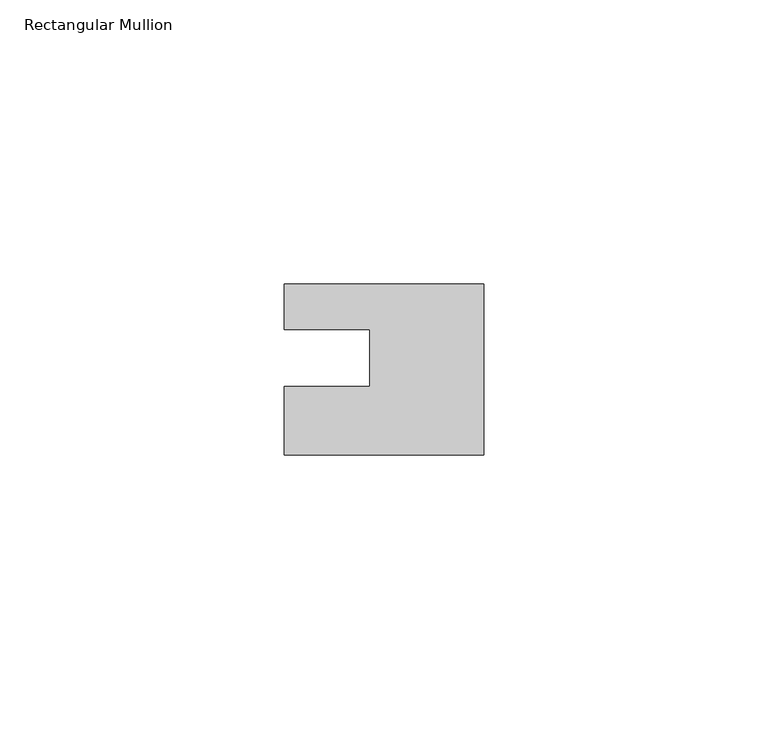
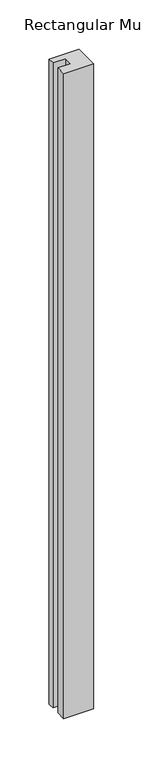
"""IFC4 building model written with IfcOpenShell, lengths in millimetres: member geometry, Rectangular Mullion."""

from ifc_helpers import new_model, si_unit, frame, origin, place, context, project, spatial, polyline, outline, extrude, source, transform, mapped, element, save


def rectangular_mullion_9ddc1df0(model_context):
    return source(origin(), model_context, "Body", "SweptSolid", [
        extrude(outline(polyline([(0.0, 7.94), (0.0, -22.06), (-35.0, -22.06), (-35.0, -10.0), (-20.0, -10.0), (-20.0, 0.001), (-35.0, 0.001), (-35.0, 7.94), (0.0, 7.94)])), frame((0.0, 0.0, -800.0), z_axis=(0.0, 0.0, 1.0), x_axis=(1.0, 0.0, 0.0)), (0.0, 0.0, 1.0), 800.0),
    ])


if __name__ == "__main__":
    model = new_model("IFC4")
    model_context = context("Model", 3, world=origin())
    ifc_project = project(units=[si_unit("LENGTHUNIT", "METRE", prefix="MILLI")], contexts=[model_context])
    site = spatial("IfcSite", under=ifc_project)
    building = spatial("IfcBuilding", under=site)
    placement = place(None, origin())
    rectangular_mullion_shape = rectangular_mullion_9ddc1df0(model_context)
    element("IfcMember", 1, ObjectType="Rectangular Mullion", at=placement, inside=building, context=model_context, shape_type="MappedRepresentation", body=[
        mapped(rectangular_mullion_shape, transform((0.0, 0.0, 0.0), x_axis=(1.0, 0.0, 0.0), y_axis=(0.0, 1.0, 0.0), z_axis=(0.0, 0.0, 1.0))),
    ])
    save(model, "model.ifc")
